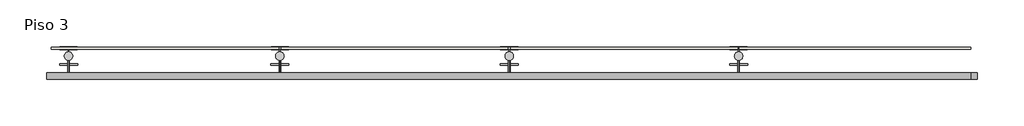
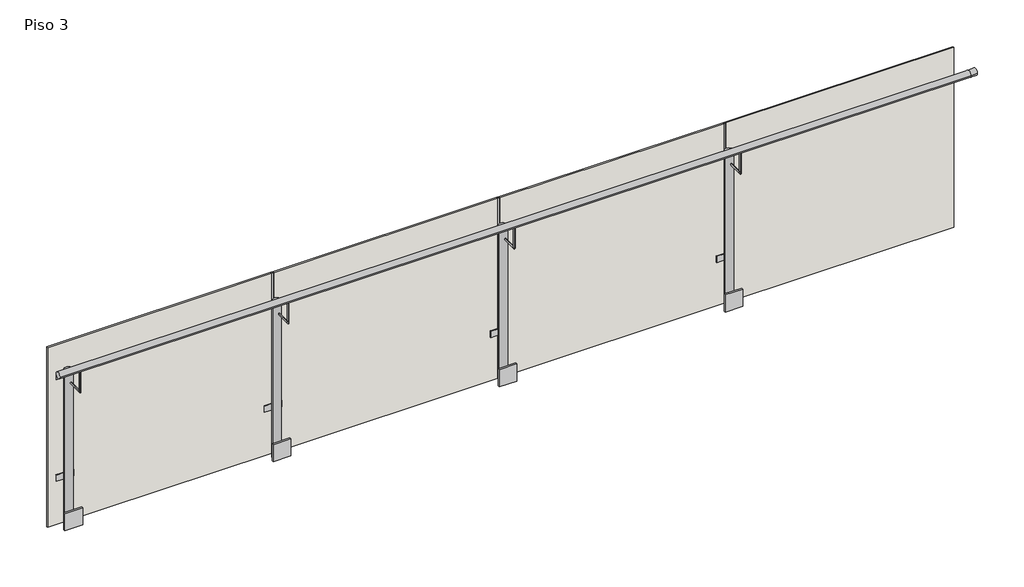
# One storey: 7 proxies, 1 railing, 1 wall.
"""IFC4 building model written with IfcOpenShell, lengths in millimetres."""

import ifcopenshell
import ifcopenshell.guid

model = None  # the IFC model being written
_history = None  # IfcOwnerHistory: only IFC2X3 demands one
_inside = {}  # id of a spatial element -> (the spatial element, [elements in it])
_under = {}  # id of a project, library or spatial element -> (it, [spatial elements below it])
_declared = {}  # id of a project -> (the project, [libraries it declares])
_typed = {}  # id of a type object -> (the type object, [elements of that type])
_made_of = {}  # id of a material, layer set ... -> (it, [elements and type objects made of it])


def new_model(schema):
    """Start an empty IFC model of exactly this schema.

    Asked for "IFC4X3", IfcOpenShell would pick the latest addendum, in which some entities
    have other attributes; the version numbers below select the first issue.
    IFC2X3 requires an IfcOwnerHistory on every rooted entity: one is made here for all.
    """
    global model, _history
    if schema == "IFC4X3":
        model = ifcopenshell.file(schema_version=(4, 3, 0, 0))
    else:
        model = ifcopenshell.file(schema=schema)
    _inside.clear()
    _under.clear()
    _declared.clear()
    _typed.clear()
    _made_of.clear()
    _history = None
    if model.schema == "IFC2X3":
        org = make("IfcOrganization", Name="unknown")
        user = make(
            "IfcPersonAndOrganization",
            ThePerson=make("IfcPerson", FamilyName="unknown"),
            TheOrganization=org,
        )
        app = make(
            "IfcApplication",
            ApplicationDeveloper=org,
            Version="unknown",
            ApplicationFullName="unknown",
            ApplicationIdentifier="unknown",
        )
        _history = make(
            "IfcOwnerHistory",
            OwningUser=user,
            OwningApplication=app,
            ChangeAction="ADDED",
            CreationDate=0,
        )
    return model


def make(cls, **values):
    """One entity of the class cls with the attributes given. An attribute that is None is left unset."""
    return model.create_entity(
        cls, **{name: value for name, value in values.items() if value is not None}
    )


def rooted(cls, **values):
    """An entity with a GlobalId (a new one), such as an element, a storey or a relation."""
    return make(cls, GlobalId=ifcopenshell.guid.new(), OwnerHistory=_history, **values)


def si_unit(unit_type, name, prefix=None):
    """IfcSIUnit, for example si_unit("LENGTHUNIT", "METRE", prefix="MILLI")."""
    return make("IfcSIUnit", UnitType=unit_type, Prefix=prefix, Name=name)


def assignment(units):
    """IfcUnitAssignment: the units of a project."""
    return None if units is None else make("IfcUnitAssignment", Units=units)


def point(xyz):
    """IfcCartesianPoint."""
    return None if xyz is None else make("IfcCartesianPoint", Coordinates=xyz)


def direction(xyz):
    """IfcDirection."""
    return None if xyz is None else make("IfcDirection", DirectionRatios=xyz)


def frame(location, z_axis=None, x_axis=None):
    """IfcAxis2Placement3D, a coordinate frame: its origin and axes. An axis left out is left unset."""
    return make(
        "IfcAxis2Placement3D",
        Location=point(location),
        Axis=direction(z_axis),
        RefDirection=direction(x_axis),
    )


def frame_2d(location, x_axis=None):
    """IfcAxis2Placement2D, a coordinate frame in the plane: its origin and x axis."""
    return make(
        "IfcAxis2Placement2D", Location=point(location), RefDirection=direction(x_axis)
    )


def origin():
    """The frame at (0, 0, 0) with its axes left unset."""
    return frame((0.0, 0.0, 0.0))


def place(relative_to, where):
    """IfcLocalPlacement: puts the frame where relative to a parent placement (None: the world)."""
    return make(
        "IfcLocalPlacement", PlacementRelTo=relative_to, RelativePlacement=where
    )


def context(
    kind, dimensions, precision=None, world=None, true_north=None, identifier=None
):
    """IfcGeometricRepresentationContext, for example the 3D "Model" context."""
    return make(
        "IfcGeometricRepresentationContext",
        ContextIdentifier=identifier,
        ContextType=kind,
        CoordinateSpaceDimension=dimensions,
        Precision=precision,
        WorldCoordinateSystem=world,
        TrueNorth=true_north,
    )


def project(units=None, contexts=None):
    """IfcProject with its units and contexts."""
    return rooted(
        "IfcProject",
        Name="project",
        RepresentationContexts=contexts,
        UnitsInContext=assignment(units),
    )


def spatial(cls, under=None, at=None, **own):
    """A site, building, storey or space (cls), placed at a placement, below another one or the project."""
    s = rooted(cls, ObjectPlacement=at, **own)
    if under is not None:
        _under.setdefault(under.id(), (under, []))[1].append(s)
    return s


def polyline(points):
    """IfcPolyline through the points."""
    return make("IfcPolyline", Points=[point(p) for p in points])


def circle_curve(where, radius):
    """IfcCircle in the frame where."""
    return make("IfcCircle", Position=where, Radius=radius)


def ellipse_curve(where, semi_axis1, semi_axis2):
    """IfcEllipse in the frame where."""
    return make(
        "IfcEllipse", Position=where, SemiAxis1=semi_axis1, SemiAxis2=semi_axis2
    )


def trimmed(basis, trim1, trim2, sense, master):
    """IfcTrimmedCurve: the piece of a basis curve between two trims."""
    return make(
        "IfcTrimmedCurve",
        BasisCurve=basis,
        Trim1=trim1,
        Trim2=trim2,
        SenseAgreement=sense,
        MasterRepresentation=master,
    )


def segment(curve, same_sense, transition):
    """IfcCompositeCurveSegment."""
    return make(
        "IfcCompositeCurveSegment",
        Transition=transition,
        SameSense=same_sense,
        ParentCurve=curve,
    )


def composite_curve(segments, self_intersect=None):
    """IfcCompositeCurve: segments joined end to end."""
    return make("IfcCompositeCurve", Segments=segments, SelfIntersect=self_intersect)


def outline(outer, holes=None, kind="AREA"):
    """IfcArbitraryClosedProfileDef: a profile drawn as a closed curve; with holes, ...WithVoids."""
    if holes is None:
        return make("IfcArbitraryClosedProfileDef", ProfileType=kind, OuterCurve=outer)
    return make(
        "IfcArbitraryProfileDefWithVoids",
        ProfileType=kind,
        OuterCurve=outer,
        InnerCurves=holes,
    )


def extrude(swept, where, along, depth):
    """IfcExtrudedAreaSolid: the profile swept, set in the frame where, extruded along a direction by depth."""
    return make(
        "IfcExtrudedAreaSolid",
        SweptArea=swept,
        Position=where,
        ExtrudedDirection=direction(along),
        Depth=depth,
    )


def shape(context_of_items, identifier, shape_type, items):
    """IfcShapeRepresentation: the items that make up one representation, for example the "Body"."""
    return make(
        "IfcShapeRepresentation",
        ContextOfItems=context_of_items,
        RepresentationIdentifier=identifier,
        RepresentationType=shape_type,
        Items=items,
    )


def source(mapping_origin, context_of_items, identifier, shape_type, items):
    """IfcRepresentationMap: a shape defined once, which mapped items show again and again."""
    return make(
        "IfcRepresentationMap",
        MappingOrigin=mapping_origin,
        MappedRepresentation=shape(context_of_items, identifier, shape_type, items),
    )


def transform(
    local_origin,
    x_axis=None,
    y_axis=None,
    z_axis=None,
    scale=None,
    scale2=None,
    scale3=None,
    uniform=True,
):
    """IfcCartesianTransformationOperator3D, or its non-uniform kind. x_axis, y_axis, z_axis: its Axis1, 2, 3."""
    if uniform:
        return make(
            "IfcCartesianTransformationOperator3D",
            Axis1=direction(x_axis),
            Axis2=direction(y_axis),
            LocalOrigin=point(local_origin),
            Scale=scale,
            Axis3=direction(z_axis),
        )
    return make(
        "IfcCartesianTransformationOperator3DnonUniform",
        Axis1=direction(x_axis),
        Axis2=direction(y_axis),
        LocalOrigin=point(local_origin),
        Scale=scale,
        Axis3=direction(z_axis),
        Scale2=scale2,
        Scale3=scale3,
    )


def mapped(mapping_source, mapping_target):
    """IfcMappedItem: shows the shape of a source again, moved by a transform."""
    return make(
        "IfcMappedItem", MappingSource=mapping_source, MappingTarget=mapping_target
    )


def made_of(thing, what):
    """Note that an element or type object is made of a material, layer set ...; save() writes the relation."""
    if what is not None:
        _made_of.setdefault(what.id(), (what, []))[1].append(thing)
    return thing


def element(
    cls,
    number,
    at=None,
    inside=None,
    cuts=None,
    type_object=None,
    material=None,
    context=None,
    identifier="Body",
    shape_type=None,
    held_by="IfcProductDefinitionShape",
    body=None,
    shapes=None,
    **own,
):
    """One element of the class cls, such as IfcWall. Its Tag is "e" and its number.

    at: its placement. inside: the storey or other place that contains it. cuts: it is an
    opening in that element (IfcRelVoidsElement). A single representation is given by context,
    identifier, shape_type and body (its items); several are given by shapes. held_by: the class
    of the entity that holds the representations. save() writes the other relations.
    """
    e = rooted(cls, Tag="e%d" % number, ObjectPlacement=at, **own)
    if body is not None:
        shapes = [shape(context, identifier, shape_type, body)]
    if shapes is not None:
        e.Representation = make(held_by, Representations=shapes)
    if inside is not None:
        _inside.setdefault(inside.id(), (inside, []))[1].append(e)
    if cuts is not None:
        rooted(
            "IfcRelVoidsElement", RelatingBuildingElement=cuts, RelatedOpeningElement=e
        )
    if type_object is not None:
        _typed.setdefault(type_object.id(), (type_object, []))[1].append(e)
    return made_of(e, material)


def aggregate(whole, parts):
    """IfcRelAggregates: a whole, such as a stair, and the parts it consists of."""
    return rooted("IfcRelAggregates", RelatingObject=whole, RelatedObjects=parts)


def save(model, path):
    """Write the relations noted so far, then the file.

    IfcRelAggregates (storeys below a building ...), IfcRelContainedInSpatialStructure (elements
    in a storey), IfcRelDefinesByType, IfcRelAssociatesMaterial and IfcRelDeclares: one each for
    every whole, place, type object, material and project.
    """
    for whole, parts in _under.values():
        aggregate(whole, parts)
    for where, things in _inside.values():
        rooted(
            "IfcRelContainedInSpatialStructure",
            RelatedElements=things,
            RelatingStructure=where,
        )
    for kind, things in _typed.values():
        rooted("IfcRelDefinesByType", RelatedObjects=things, RelatingType=kind)
    for what, things in _made_of.values():
        rooted("IfcRelAssociatesMaterial", RelatedObjects=things, RelatingMaterial=what)
    for by, libraries in _declared.values():
        rooted("IfcRelDeclares", RelatingContext=by, RelatedDefinitions=libraries)
    model.write(path)


def plane_surface(at):
    """IfcPlane: the flat surface through the origin of the frame at, square to its z axis."""
    return make("IfcPlane", Position=at)


def cylinder_surface(at, radius):
    """IfcCylindricalSurface: all points at the distance radius from the z axis of the frame at."""
    return make("IfcCylindricalSurface", Position=at, Radius=radius)


def advanced_brep(points, edges, surfaces, faces):
    """IfcAdvancedBrep: a solid bounded by faces that lie on surfaces and meet in shared edges.

    An edge is (start, end): straight between two places in points (the first is 0);
    or (start, end, curve); or (start, end, curve, False) where it runs against its curve.
    A face is (place in surfaces, loops), or (place, loops, False) where it looks against
    its surface's normal. A loop lists edges by number (the first is 1), with a minus sign
    where the edge is run from its end to its start. The first loop is the outer one.
    """
    corners = [point(p) for p in points]
    vertices = [make("IfcVertexPoint", VertexGeometry=c) for c in corners]
    made = []
    for start, end, *more in edges:
        made.append(
            make(
                "IfcEdgeCurve",
                EdgeStart=vertices[start],
                EdgeEnd=vertices[end],
                EdgeGeometry=more[0] if more else make("IfcPolyline", Points=[corners[start], corners[end]]),
                SameSense=more[1] if len(more) > 1 else True,
            )
        )
    hull = []
    for where, loops, *sense in faces:
        bounds = []
        for j, loop in enumerate(loops):
            ring = [make("IfcOrientedEdge", EdgeElement=made[abs(k) - 1], Orientation=k > 0) for k in loop]
            bounds.append(
                make(
                    "IfcFaceOuterBound" if j == 0 else "IfcFaceBound",
                    Bound=make("IfcEdgeLoop", EdgeList=ring),
                    Orientation=True,
                )
            )
        hull.append(make("IfcAdvancedFace", Bounds=bounds, FaceSurface=surfaces[where], SameSense=sense[0] if sense else True))
    return make("IfcAdvancedBrep", Outer=make("IfcClosedShell", CfsFaces=hull))


def building_element_proxy_f4cb23bf(model_context):
    return source(origin(), model_context, "Body", "SolidModel", [
        extrude(outline(polyline([(2.4460267, -90.9794473), (52.4327977, -90.9794473), (52.4327977, -95.9794473), (15.0, -95.9794473), (15.0, -105.9794473), (52.4327977, -105.9794473), (52.4327977, -110.9794473), (0.0, -110.9794473), (-52.4327977, -110.9794473), (-52.4327977, -105.9794473), (-15.0, -105.9794473), (-15.0, -95.9794473), (-52.4327977, -95.9794473), (-52.4327977, -90.9794473), (-2.4460267, -90.9794473), (-2.4460267, -78.0), (2.4460267, -78.0), (2.4460267, -90.9794473)])), frame((0.0, 0.0, -130.0), z_axis=(0.0, 0.0, 1.0), x_axis=(1.0, 0.0, 0.0)), (0.0, 0.0, 1.0), 40.0),
        extrude(outline(polyline([(2.4460267, -90.9794473), (52.4327977, -90.9794473), (52.4327977, -95.9794473), (15.0, -95.9794473), (15.0, -105.9794473), (52.4327977, -105.9794473), (52.4327977, -110.9794473), (0.0, -110.9794473), (-52.4327977, -110.9794473), (-52.4327977, -105.9794473), (-15.0, -105.9794473), (-15.0, -95.9794473), (-52.4327977, -95.9794473), (-52.4327977, -90.9794473), (-2.4460267, -90.9794473), (-2.4460267, -78.0), (2.4460267, -78.0), (2.4460267, -90.9794473)])), frame((0.0, 0.0, -780.0), z_axis=(0.0, 0.0, 1.0), x_axis=(1.0, 0.0, 0.0)), (0.0, 0.0, 1.0), 40.0),
        advanced_brep(
        [(0.0, -30.0, -134.9236969), (0.0, -30.0, -125.8825628), (0.0, 69.5205671, -134.9236969), (0.0, 60.4794329, -125.8825628), (0.0, 69.5205671, 0.0), (0.0, 60.4794329, 0.0)],
        [
            (0, 1, circle_curve(frame((0.0, -30.0, -130.4031299), z_axis=(0.0, -1.0, 0.0), x_axis=(0.0, 0.0, 1.0)), 4.5205671)),
            (1, 0, circle_curve(frame((0.0, -30.0, -130.4031299), z_axis=(0.0, -1.0, 0.0), x_axis=(0.0, 0.0, 1.0)), 4.5205671)),
            (0, 2),
            (2, 3, ellipse_curve(frame((0.0, 65.0, -130.4031299), z_axis=(0.0, -0.7071067811865475, -0.7071067811865475), x_axis=(0.0, -0.7071067811865476, 0.7071067811865474)), 6.3930473, 4.5205671)),
            (3, 1),
            (3, 2, ellipse_curve(frame((0.0, 65.0, -130.4031299), z_axis=(0.0, -0.7071067811865475, -0.7071067811865475), x_axis=(0.0, -0.7071067811865476, 0.7071067811865474)), 6.3930473, 4.5205671)),
            (4, 5, circle_curve(frame((0.0, 65.0, 0.0), z_axis=(0.0, 0.0, 1.0), x_axis=(0.0, -1.0, 0.0)), 4.5205671)),
            (5, 4, circle_curve(frame((0.0, 65.0, 0.0), z_axis=(0.0, 0.0, 1.0), x_axis=(0.0, -1.0, 0.0)), 4.5205671)),
            (2, 4),
            (5, 3),
        ],
        [
            plane_surface(frame((0.0, -30.0, -130.4031299), z_axis=(0.0, -1.0, 0.0), x_axis=(1.0, 0.0, 0.0))),
            cylinder_surface(frame((0.0, -30.0, -130.4031299), z_axis=(0.0, -1.0, 0.0), x_axis=(0.0, 0.0, 1.0)), 4.5205671),
            plane_surface(frame((0.0, 65.0, 0.0), z_axis=(0.0, 0.0, 1.0), x_axis=(1.0, 0.0, 0.0))),
            cylinder_surface(frame((0.0, 65.0, -130.4031299), z_axis=(0.0, 0.0, -1.0), x_axis=(0.0, -1.0, 0.0)), 4.5205671),
        ],
        [
            (0, [[1, 2]]),
            (1, [[-1, 3, 4, 5]]),
            (1, [[-2, -5, 6, -3]]),
            (2, [[7, 8]]),
            (3, [[-4, 9, -8, 10]]),
            (3, [[-6, -10, -7, -9]]),
        ],
    ),
        extrude(outline(composite_curve([segment(trimmed(circle_curve(frame_2d((0.0, -54.0)), 25.0), [point((-25.0, -54.0))], [point((25.0, -54.0))], False, "CARTESIAN"), True, "CONTINUOUS"), segment(trimmed(circle_curve(frame_2d((0.0, -54.0)), 25.0), [point((25.0, -54.0))], [point((-25.0, -54.0))], False, "CARTESIAN"), True, "CONTINUOUS")], self_intersect=False)), frame((0.0, 0.0, -1060.0), z_axis=(0.0, 0.0, 1.0), x_axis=(1.0, 0.0, 0.0)), (0.0, 0.0, 1.0), 1000.0),
        extrude(outline(polyline([(3.4956361, -30.0), (-3.4956361, -30.0), (-3.4956361, -10.0), (3.4956361, -10.0), (3.4956361, -30.0)])), frame((0.0, 0.0, -1020.3217206), z_axis=(0.0, 0.0, 1.0), x_axis=(1.0, 0.0, 0.0)), (0.0, 0.0, 1.0), 64.8689383),
        extrude(outline(polyline([(53.4956361, -10.0), (-53.4956361, -10.0), (-53.4956361, 0.0), (53.4956361, 0.0), (53.4956361, -10.0)])), frame((0.0, 0.0, -1040.0), z_axis=(0.0, 0.0, 1.0), x_axis=(1.0, 0.0, 0.0)), (0.0, 0.0, 1.0), 110.0),
    ])


model = new_model("IFC4")

# Units and contexts
model_context = context("Model", 3, world=origin())
ifc_project = project(units=[si_unit("LENGTHUNIT", "METRE", prefix="MILLI")], contexts=[model_context])

# Site, building, storey
site = spatial("IfcSite", under=ifc_project)
building = spatial("IfcBuilding", under=site)
storey = spatial("IfcBuildingStorey", under=building, Name="Piso 3", Elevation=9000.0)

# Proxies
placement = place(None, origin())
building_element_proxy_shape = building_element_proxy_f4cb23bf(model_context)
element("IfcBuildingElementProxy", 1, Name="Building Element Proxy", at=placement, inside=storey, context=model_context, shape_type="MappedRepresentation", body=[
    mapped(building_element_proxy_shape, transform((11461.9954504, 10753.7429813, 9860.0), x_axis=(-1.0, 0.0, 0.0), y_axis=(0.0, -1.0, 0.0), z_axis=(0.0, 0.0, 1.0))),
])
element("IfcBuildingElementProxy", 2, Name="Building Element Proxy", at=placement, inside=storey, context=model_context, shape_type="MappedRepresentation", body=[
    mapped(building_element_proxy_shape, transform((12720.5495093, 10753.7429813, 9860.0), x_axis=(-1.0, 0.0, 0.0), y_axis=(0.0, -1.0, 0.0), z_axis=(0.0, 0.0, 1.0))),
])
element("IfcBuildingElementProxy", 3, Name="Building Element Proxy", at=placement, inside=storey, context=model_context, shape_type="MappedRepresentation", body=[
    mapped(building_element_proxy_shape, transform((14087.5104468, 10753.7429813, 9860.0), x_axis=(-1.0, 0.0, 0.0), y_axis=(0.0, -1.0, 0.0), z_axis=(0.0, 0.0, 1.0))),
])
element("IfcBuildingElementProxy", 4, Name="Building Element Proxy", at=placement, inside=storey, context=model_context, shape_type="MappedRepresentation", body=[
    mapped(building_element_proxy_shape, transform((15454.0807593, 10753.7429813, 9860.0), x_axis=(-1.0, 0.0, 0.0), y_axis=(0.0, -1.0, 0.0), z_axis=(0.0, 0.0, 1.0))),
])
element("IfcBuildingElementProxy", 5, Name="DE 1 X 1 cm", ObjectType="DE 1 X 1 cm", at=placement, inside=storey, context=model_context, shape_type="SweptSolid", body=[
    extrude(outline(polyline([(15459.0726561, 10859.7224286), (15459.0726561, 10849.7224286), (15449.0726561, 10849.7224286), (15449.0726561, 10859.7224286), (15459.0726561, 10859.7224286)])), frame((0.0, 0.0, 8800.0), z_axis=(0.0, 0.0, 1.0), x_axis=(1.0, 0.0, 0.0)), (0.0, 0.0, 1.0), 1150.0),
])
element("IfcBuildingElementProxy", 6, Name="DE 1 X 1 cm", ObjectType="DE 1 X 1 cm", at=placement, inside=storey, context=model_context, shape_type="SweptSolid", body=[
    extrude(outline(polyline([(14092.4107736, 10859.7224286), (14092.4107736, 10849.7224286), (14082.4107736, 10849.7224286), (14082.4107736, 10859.7224286), (14092.4107736, 10859.7224286)])), frame((0.0, 0.0, 8800.0), z_axis=(0.0, 0.0, 1.0), x_axis=(1.0, 0.0, 0.0)), (0.0, 0.0, 1.0), 1150.0),
])
element("IfcBuildingElementProxy", 7, Name="DE 1 X 1 cm", ObjectType="DE 1 X 1 cm", at=placement, inside=storey, context=model_context, shape_type="SweptSolid", body=[
    extrude(outline(polyline([(12725.7488912, 10859.7224286), (12725.7488912, 10849.7224286), (12715.7488912, 10849.7224286), (12715.7488912, 10859.7224286), (12725.7488912, 10859.7224286)])), frame((0.0, 0.0, 8800.0), z_axis=(0.0, 0.0, 1.0), x_axis=(1.0, 0.0, 0.0)), (0.0, 0.0, 1.0), 1150.0),
])

# Railing
element("IfcRailing", 8, at=placement, inside=storey, context=model_context, shape_type="AdvancedBrep", body=[
    advanced_brep(
    [(11330.7370093, 10668.7429813, 9880.0), (11330.7370093, 10708.7429813, 9880.0), (16837.020087, 10668.7429813, 9880.0), (16837.020087, 10708.7429813, 9880.0), (16877.020087, 10668.7429813, 9880.0), (16877.020087, 10708.7429813, 9880.0)],
    [
        (0, 1, circle_curve(frame((11330.7370093, 10688.7429813, 9880.0), z_axis=(-1.0, 0.0, 0.0), x_axis=(0.0, 1.0, 0.0)), 20.0)),
        (1, 0, circle_curve(frame((11330.7370093, 10688.7429813, 9880.0), z_axis=(-1.0, 0.0, 0.0), x_axis=(0.0, 1.0, 0.0)), 20.0)),
        (0, 2),
        (2, 3, circle_curve(frame((16837.020087, 10688.7429813, 9880.0), z_axis=(-1.0, 0.0, 0.0), x_axis=(0.0, 1.0, 0.0)), 20.0)),
        (3, 1),
        (3, 2, circle_curve(frame((16837.020087, 10688.7429813, 9880.0), z_axis=(-1.0, 0.0, 0.0), x_axis=(0.0, 1.0, 0.0)), 20.0)),
        (4, 5, circle_curve(frame((16877.020087, 10688.7429813, 9880.0), z_axis=(1.0, 0.0, 0.0), x_axis=(0.0, 1.0, 0.0)), 20.0)),
        (5, 4, circle_curve(frame((16877.020087, 10688.7429813, 9880.0), z_axis=(1.0, 0.0, 0.0), x_axis=(0.0, 1.0, 0.0)), 20.0)),
        (2, 4),
        (5, 3),
    ],
    [
        plane_surface(frame((11330.7370093, 10753.7429813, 9900.0), z_axis=(-1.0, 0.0, 0.0), x_axis=(0.0, 1.0, 0.0))),
        cylinder_surface(frame((11330.7370093, 10688.7429813, 9880.0), z_axis=(-1.0, 0.0, 0.0), x_axis=(0.0, 1.0, 0.0)), 20.0),
        plane_surface(frame((16877.020087, 10753.7429813, 9900.0), z_axis=(1.0, 0.0, 0.0), x_axis=(0.0, 1.0, 0.0))),
        cylinder_surface(frame((16837.020087, 10688.7429813, 9880.0), z_axis=(-1.0, 0.0, 0.0), x_axis=(0.0, 1.0, 0.0)), 20.0),
    ],
    [
        (0, [[1, 2]]),
        (1, [[-1, 3, 4, 5]]),
        (1, [[-2, -5, 6, -3]]),
        (2, [[7, 8]]),
        (3, [[-4, 9, -8, 10]]),
        (3, [[-6, -10, -7, -9]]),
    ],
),
])

# Wall
element("IfcWall", 9, ObjectType="Vidrio Escalera 1 cm", at=placement, inside=storey, context=model_context, shape_type="SweptSolid", body=[
    extrude(outline(polyline([(16837.1107739, 10859.7224286), (16837.1107739, 10849.7224286), (15459.0726561, 10849.7224286), (15459.0726561, 10859.7224286), (16837.1107739, 10859.7224286)])), frame((0.0, 0.0, 8800.0), z_axis=(0.0, 0.0, 1.0), x_axis=(1.0, 0.0, 0.0)), (0.0, 0.0, 1.0), 1150.0),
    extrude(outline(polyline([(11359.0870087, 10849.7224286), (11359.0870087, 10859.7224286), (12715.7488912, 10859.7224286), (12715.7488912, 10849.7224286), (11359.0870087, 10849.7224286)])), frame((0.0, 0.0, 8800.0), z_axis=(0.0, 0.0, 1.0), x_axis=(1.0, 0.0, 0.0)), (0.0, 0.0, 1.0), 1150.0),
    extrude(outline(polyline([(12725.7488912, 10849.7224286), (12725.7488912, 10859.7224286), (14082.4107736, 10859.7224286), (14082.4107736, 10849.7224286), (12725.7488912, 10849.7224286)])), frame((0.0, 0.0, 8800.0), z_axis=(0.0, 0.0, 1.0), x_axis=(1.0, 0.0, 0.0)), (0.0, 0.0, 1.0), 1150.0),
    extrude(outline(polyline([(14092.4107736, 10849.7224286), (14092.4107736, 10859.7224286), (15449.0726561, 10859.7224286), (15449.0726561, 10849.7224286), (14092.4107736, 10849.7224286)])), frame((0.0, 0.0, 8800.0), z_axis=(0.0, 0.0, 1.0), x_axis=(1.0, 0.0, 0.0)), (0.0, 0.0, 1.0), 1150.0),
])

save(model, "model.ifc")
